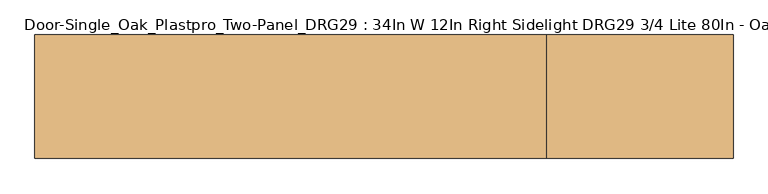
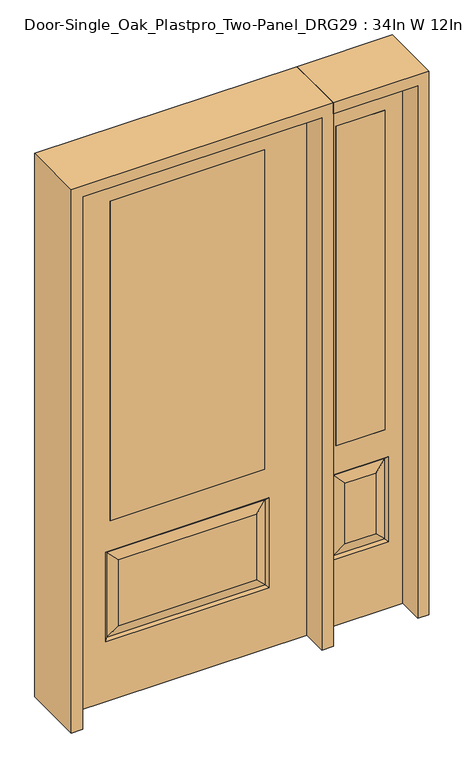
"""IFC4 building model written with IfcOpenShell, lengths in millimetres: door geometry, Door-Single_Oak_Plastpro_Two-Panel_DRG29 : 34In W 12In Right Sidelight DRG29 3/4 Lite 80In - Oak."""

import ifcopenshell
import ifcopenshell.guid

model = None  # the IFC model being written
_history = None  # IfcOwnerHistory: only IFC2X3 demands one
_inside = {}  # id of a spatial element -> (the spatial element, [elements in it])
_under = {}  # id of a project, library or spatial element -> (it, [spatial elements below it])
_declared = {}  # id of a project -> (the project, [libraries it declares])
_typed = {}  # id of a type object -> (the type object, [elements of that type])
_made_of = {}  # id of a material, layer set ... -> (it, [elements and type objects made of it])


def new_model(schema):
    """Start an empty IFC model of exactly this schema.

    Asked for "IFC4X3", IfcOpenShell would pick the latest addendum, in which some entities
    have other attributes; the version numbers below select the first issue.
    IFC2X3 requires an IfcOwnerHistory on every rooted entity: one is made here for all.
    """
    global model, _history
    if schema == "IFC4X3":
        model = ifcopenshell.file(schema_version=(4, 3, 0, 0))
    else:
        model = ifcopenshell.file(schema=schema)
    _inside.clear()
    _under.clear()
    _declared.clear()
    _typed.clear()
    _made_of.clear()
    _history = None
    if model.schema == "IFC2X3":
        org = make("IfcOrganization", Name="unknown")
        user = make(
            "IfcPersonAndOrganization",
            ThePerson=make("IfcPerson", FamilyName="unknown"),
            TheOrganization=org,
        )
        app = make(
            "IfcApplication",
            ApplicationDeveloper=org,
            Version="unknown",
            ApplicationFullName="unknown",
            ApplicationIdentifier="unknown",
        )
        _history = make(
            "IfcOwnerHistory",
            OwningUser=user,
            OwningApplication=app,
            ChangeAction="ADDED",
            CreationDate=0,
        )
    return model


def make(cls, **values):
    """One entity of the class cls with the attributes given. An attribute that is None is left unset."""
    return model.create_entity(
        cls, **{name: value for name, value in values.items() if value is not None}
    )


def rooted(cls, **values):
    """An entity with a GlobalId (a new one), such as an element, a storey or a relation."""
    return make(cls, GlobalId=ifcopenshell.guid.new(), OwnerHistory=_history, **values)


def si_unit(unit_type, name, prefix=None):
    """IfcSIUnit, for example si_unit("LENGTHUNIT", "METRE", prefix="MILLI")."""
    return make("IfcSIUnit", UnitType=unit_type, Prefix=prefix, Name=name)


def assignment(units):
    """IfcUnitAssignment: the units of a project."""
    return None if units is None else make("IfcUnitAssignment", Units=units)


def point(xyz):
    """IfcCartesianPoint."""
    return None if xyz is None else make("IfcCartesianPoint", Coordinates=xyz)


def direction(xyz):
    """IfcDirection."""
    return None if xyz is None else make("IfcDirection", DirectionRatios=xyz)


def frame(location, z_axis=None, x_axis=None):
    """IfcAxis2Placement3D, a coordinate frame: its origin and axes. An axis left out is left unset."""
    return make(
        "IfcAxis2Placement3D",
        Location=point(location),
        Axis=direction(z_axis),
        RefDirection=direction(x_axis),
    )


def origin():
    """The frame at (0, 0, 0) with its axes left unset."""
    return frame((0.0, 0.0, 0.0))


def place(relative_to, where):
    """IfcLocalPlacement: puts the frame where relative to a parent placement (None: the world)."""
    return make(
        "IfcLocalPlacement", PlacementRelTo=relative_to, RelativePlacement=where
    )


def context(
    kind, dimensions, precision=None, world=None, true_north=None, identifier=None
):
    """IfcGeometricRepresentationContext, for example the 3D "Model" context."""
    return make(
        "IfcGeometricRepresentationContext",
        ContextIdentifier=identifier,
        ContextType=kind,
        CoordinateSpaceDimension=dimensions,
        Precision=precision,
        WorldCoordinateSystem=world,
        TrueNorth=true_north,
    )


def project(units=None, contexts=None):
    """IfcProject with its units and contexts."""
    return rooted(
        "IfcProject",
        Name="project",
        RepresentationContexts=contexts,
        UnitsInContext=assignment(units),
    )


def spatial(cls, under=None, at=None, **own):
    """A site, building, storey or space (cls), placed at a placement, below another one or the project."""
    s = rooted(cls, ObjectPlacement=at, **own)
    if under is not None:
        _under.setdefault(under.id(), (under, []))[1].append(s)
    return s


def polyline(points):
    """IfcPolyline through the points."""
    return make("IfcPolyline", Points=[point(p) for p in points])


def outline(outer, holes=None, kind="AREA"):
    """IfcArbitraryClosedProfileDef: a profile drawn as a closed curve; with holes, ...WithVoids."""
    if holes is None:
        return make("IfcArbitraryClosedProfileDef", ProfileType=kind, OuterCurve=outer)
    return make(
        "IfcArbitraryProfileDefWithVoids",
        ProfileType=kind,
        OuterCurve=outer,
        InnerCurves=holes,
    )


def extrude(swept, where, along, depth):
    """IfcExtrudedAreaSolid: the profile swept, set in the frame where, extruded along a direction by depth."""
    return make(
        "IfcExtrudedAreaSolid",
        SweptArea=swept,
        Position=where,
        ExtrudedDirection=direction(along),
        Depth=depth,
    )


def faces_of(points, faces, orient=None, outer=None):
    """IfcFace entities. A face is a list of loops; a loop is a list of indices into points, from 0.

    orient and outer hold one flag for each loop. By default every Orientation is true, the
    first loop of a face is its IfcFaceOuterBound and the others are IfcFaceBound.
    """
    made = []
    for i, loops in enumerate(faces):
        bounds = []
        for j, loop in enumerate(loops):
            is_outer = j == 0 if outer is None else outer[i][j]
            bounds.append(
                make(
                    "IfcFaceOuterBound" if is_outer else "IfcFaceBound",
                    Bound=make("IfcPolyLoop", Polygon=[points[k] for k in loop]),
                    Orientation=True if orient is None else orient[i][j],
                )
            )
        made.append(make("IfcFace", Bounds=bounds))
    return made


def faceted_brep(points, faces, orient=None, outer=None, voids=None):
    """IfcFacetedBrep: a solid bounded by flat faces; with voids (closed shells), ...WithVoids."""
    shared = [point(p) for p in points]
    hull = make("IfcClosedShell", CfsFaces=faces_of(shared, faces, orient, outer))
    if voids is None:
        return make("IfcFacetedBrep", Outer=hull)
    return make(
        "IfcFacetedBrepWithVoids",
        Outer=hull,
        Voids=[
            make(cls, CfsFaces=faces_of(shared, fs, o, b)) for cls, fs, o, b in voids
        ],
    )


def shape(context_of_items, identifier, shape_type, items):
    """IfcShapeRepresentation: the items that make up one representation, for example the "Body"."""
    return make(
        "IfcShapeRepresentation",
        ContextOfItems=context_of_items,
        RepresentationIdentifier=identifier,
        RepresentationType=shape_type,
        Items=items,
    )


def source(mapping_origin, context_of_items, identifier, shape_type, items):
    """IfcRepresentationMap: a shape defined once, which mapped items show again and again."""
    return make(
        "IfcRepresentationMap",
        MappingOrigin=mapping_origin,
        MappedRepresentation=shape(context_of_items, identifier, shape_type, items),
    )


def transform(
    local_origin,
    x_axis=None,
    y_axis=None,
    z_axis=None,
    scale=None,
    scale2=None,
    scale3=None,
    uniform=True,
):
    """IfcCartesianTransformationOperator3D, or its non-uniform kind. x_axis, y_axis, z_axis: its Axis1, 2, 3."""
    if uniform:
        return make(
            "IfcCartesianTransformationOperator3D",
            Axis1=direction(x_axis),
            Axis2=direction(y_axis),
            LocalOrigin=point(local_origin),
            Scale=scale,
            Axis3=direction(z_axis),
        )
    return make(
        "IfcCartesianTransformationOperator3DnonUniform",
        Axis1=direction(x_axis),
        Axis2=direction(y_axis),
        LocalOrigin=point(local_origin),
        Scale=scale,
        Axis3=direction(z_axis),
        Scale2=scale2,
        Scale3=scale3,
    )


def mapped(mapping_source, mapping_target):
    """IfcMappedItem: shows the shape of a source again, moved by a transform."""
    return make(
        "IfcMappedItem", MappingSource=mapping_source, MappingTarget=mapping_target
    )


def made_of(thing, what):
    """Note that an element or type object is made of a material, layer set ...; save() writes the relation."""
    if what is not None:
        _made_of.setdefault(what.id(), (what, []))[1].append(thing)
    return thing


def element(
    cls,
    number,
    at=None,
    inside=None,
    cuts=None,
    type_object=None,
    material=None,
    context=None,
    identifier="Body",
    shape_type=None,
    held_by="IfcProductDefinitionShape",
    body=None,
    shapes=None,
    **own,
):
    """One element of the class cls, such as IfcWall. Its Tag is "e" and its number.

    at: its placement. inside: the storey or other place that contains it. cuts: it is an
    opening in that element (IfcRelVoidsElement). A single representation is given by context,
    identifier, shape_type and body (its items); several are given by shapes. held_by: the class
    of the entity that holds the representations. save() writes the other relations.
    """
    e = rooted(cls, Tag="e%d" % number, ObjectPlacement=at, **own)
    if body is not None:
        shapes = [shape(context, identifier, shape_type, body)]
    if shapes is not None:
        e.Representation = make(held_by, Representations=shapes)
    if inside is not None:
        _inside.setdefault(inside.id(), (inside, []))[1].append(e)
    if cuts is not None:
        rooted(
            "IfcRelVoidsElement", RelatingBuildingElement=cuts, RelatedOpeningElement=e
        )
    if type_object is not None:
        _typed.setdefault(type_object.id(), (type_object, []))[1].append(e)
    return made_of(e, material)


def aggregate(whole, parts):
    """IfcRelAggregates: a whole, such as a stair, and the parts it consists of."""
    return rooted("IfcRelAggregates", RelatingObject=whole, RelatedObjects=parts)


def save(model, path):
    """Write the relations noted so far, then the file.

    IfcRelAggregates (storeys below a building ...), IfcRelContainedInSpatialStructure (elements
    in a storey), IfcRelDefinesByType, IfcRelAssociatesMaterial and IfcRelDeclares: one each for
    every whole, place, type object, material and project.
    """
    for whole, parts in _under.values():
        aggregate(whole, parts)
    for where, things in _inside.values():
        rooted(
            "IfcRelContainedInSpatialStructure",
            RelatedElements=things,
            RelatingStructure=where,
        )
    for kind, things in _typed.values():
        rooted("IfcRelDefinesByType", RelatedObjects=things, RelatingType=kind)
    for what, things in _made_of.values():
        rooted("IfcRelAssociatesMaterial", RelatedObjects=things, RelatingMaterial=what)
    for by, libraries in _declared.values():
        rooted("IfcRelDeclares", RelatingContext=by, RelatedDefinitions=libraries)
    model.write(path)


def door_single_oak_plastpro_two_panel_drg29_34in_w_12in_right_079a7310(model_context):
    return source(origin(), model_context, "Body", "SolidModel", [
        extrude(outline(polyline([(-279.4, -20.6375), (-279.4, 20.6375), (279.4, 20.6375), (279.4, -20.6375), (-279.4, -20.6375)])), frame((0.0, 0.0, 685.8), z_axis=(0.0, 0.0, 1.0), x_axis=(1.0, 0.0, 0.0)), (0.0, 0.0, 1.0), 1219.2),
        faceted_brep([(-249.1224548, -20.6375, 274.7525452), (249.1224548, -20.6375, 274.7525452), (249.1224548, -20.6375, 525.3474548), (-249.1224548, -20.6375, 525.3474548), (431.8, -20.6375, 2032.0), (-431.8, -20.6375, 2032.0), (-431.8, -20.6375, 0.0), (431.8, -20.6375, 0.0), (295.1599548, -20.6375, 228.7150452), (-295.1599548, -20.6375, 228.7150452), (-295.1599548, -20.6375, 571.3849548), (295.1599548, -20.6375, 571.3849548), (-279.4, -20.6375, 1905.0), (279.4, -20.6375, 1905.0), (279.4, -20.6375, 685.8), (-279.4, -20.6375, 685.8), (-279.4, 20.6375, 1905.0), (-279.4, 20.6375, 685.8), (279.4, 20.6375, 685.8), (249.1224548, 20.6375, 274.7525452), (-249.1224548, 20.6375, 274.7525452), (-249.1224548, 20.6375, 525.3474548), (249.1224548, 20.6375, 525.3474548), (-431.8, 20.6375, 2032.0), (431.8, 20.6375, 2032.0), (431.8, 20.6375, 0.0), (-431.8, 20.6375, 0.0), (-295.1599548, 20.6375, 228.7150452), (295.1599548, 20.6375, 228.7150452), (295.1599548, 20.6375, 571.3849548), (-295.1599548, 20.6375, 571.3849548), (279.4, 20.6375, 1905.0), (286.1796986, -11.6572439, 237.6953014), (-286.1796986, -11.6572439, 237.6953014), (-286.1796986, -11.6572439, 562.4046986), (286.1796986, -11.6572439, 562.4046986), (286.1796986, 11.6572439, 237.6953014), (-286.1796986, 11.6572439, 237.6953014), (-286.1796986, 11.6572439, 562.4046986), (286.1796986, 11.6572439, 562.4046986)], [[[0, 1, 2, 3]], [[4, 5, 6, 7], [8, 9, 10, 11], [12, 13, 14, 15]], [[16, 12, 15, 17]], [[17, 15, 14, 18]], [[19, 20, 21, 22]], [[23, 24, 25, 26], [27, 28, 29, 30], [31, 16, 17, 18]], [[13, 31, 18, 14]], [[6, 26, 25, 7]], [[5, 23, 26, 6]], [[24, 4, 7, 25]], [[32, 33, 9, 8]], [[9, 33, 34, 10]], [[10, 34, 35, 11]], [[32, 8, 11, 35]], [[33, 32, 1, 0]], [[1, 32, 35, 2]], [[34, 3, 2, 35]], [[33, 0, 3, 34]], [[36, 37, 20, 19]], [[20, 37, 38, 21]], [[21, 38, 39, 22]], [[36, 19, 22, 39]], [[37, 36, 28, 27]], [[28, 36, 39, 29]], [[38, 30, 29, 39]], [[37, 27, 30, 38]], [[12, 16, 31, 13]], [[5, 4, 24, 23]]]),
        extrude(outline(polyline([(714.375, -20.6375), (536.575, -20.6375), (536.575, 20.6375), (714.375, 20.6375), (714.375, -20.6375)])), frame((0.0, 0.0, 685.8), z_axis=(0.0, 0.0, 1.0), x_axis=(1.0, 0.0, 0.0)), (0.0, 0.0, 1.0), 1219.2),
        faceted_brep([(714.375, -20.6375, 1905.0), (536.575, -20.6375, 1905.0), (536.575, 20.6375, 1905.0), (714.375, 20.6375, 1905.0), (680.9224548, -20.6375, 531.6974548), (570.0275452, -20.6375, 531.6974548), (570.0275452, -20.6375, 300.1525452), (680.9224548, -20.6375, 300.1525452), (473.075, -20.6375, 2032.0), (473.075, -20.6375, 0.0), (777.875, -20.6375, 0.0), (777.875, -20.6375, 2032.0), (714.375, -20.6375, 685.8), (536.575, -20.6375, 685.8), (726.9599548, -20.6375, 254.1150452), (523.9900452, -20.6375, 254.1150452), (523.9900452, -20.6375, 577.7349548), (726.9599548, -20.6375, 577.7349548), (717.9796986, 11.6572439, 568.7546986), (726.9599548, 20.6375, 577.7349548), (726.9599548, 20.6375, 254.1150452), (717.9796986, 11.6572439, 263.0953014), (532.9703014, 11.6572439, 568.7546986), (523.9900452, 20.6375, 577.7349548), (680.9224548, 20.6375, 300.1525452), (680.9224548, 20.6375, 531.6974548), (714.375, 20.6375, 685.8), (536.575, 20.6375, 685.8), (532.9703014, -11.6572439, 263.0953014), (717.9796986, -11.6572439, 263.0953014), (532.9703014, -11.6572439, 568.7546986), (717.9796986, -11.6572439, 568.7546986), (473.075, 20.6375, 2032.0), (777.875, 20.6375, 2032.0), (473.075, 20.6375, 0.0), (777.875, 20.6375, 0.0), (523.9900452, 20.6375, 254.1150452), (570.0275452, 20.6375, 300.1525452), (570.0275452, 20.6375, 531.6974548), (532.9703014, 11.6572439, 263.0953014)], [[[0, 1, 2, 3]], [[4, 5, 6, 7]], [[8, 9, 10, 11], [0, 12, 13, 1], [14, 15, 16, 17]], [[18, 19, 20, 21]], [[18, 22, 23, 19]], [[21, 24, 25, 18]], [[26, 27, 13, 12]], [[7, 6, 28, 29]], [[6, 5, 30, 28]], [[29, 14, 17, 31]], [[32, 8, 11, 33]], [[34, 35, 10, 9]], [[32, 34, 9, 8]], [[11, 10, 35, 33]], [[33, 35, 34, 32], [19, 23, 36, 20], [2, 27, 26, 3]], [[24, 37, 38, 25]], [[20, 36, 39, 21]], [[36, 23, 22, 39]], [[25, 38, 22, 18]], [[39, 22, 38, 37]], [[21, 39, 37, 24]], [[3, 26, 12, 0]], [[1, 13, 27, 2]], [[31, 4, 7, 29]], [[31, 30, 5, 4]], [[17, 16, 30, 31]], [[28, 30, 16, 15]], [[29, 28, 15, 14]]]),
        extrude(outline(polyline([(2073.275, -473.075), (0.0, -473.075), (0.0, -431.8), (2032.0, -431.8), (2032.0, 431.8), (0.0, 431.8), (0.0, 473.075), (2073.275, 473.075), (2073.275, -473.075)])), frame((0.0, -114.3, 0.0), z_axis=(0.0, 1.0, 0.0), x_axis=(0.0, 0.0, 1.0)), (0.0, 0.0, 1.0), 228.6),
        extrude(outline(polyline([(0.0, 777.875), (0.0, 819.15), (2073.275, 819.15), (2073.275, 473.075), (2032.0, 473.075), (2032.0, 777.875), (0.0, 777.875)])), frame((0.0, -114.3, 0.0), z_axis=(0.0, 1.0, 0.0), x_axis=(0.0, 0.0, 1.0)), (0.0, 0.0, 1.0), 228.6),
    ])


if __name__ == "__main__":
    model = new_model("IFC4")
    model_context = context("Model", 3, world=origin())
    ifc_project = project(units=[si_unit("LENGTHUNIT", "METRE", prefix="MILLI")], contexts=[model_context])
    site = spatial("IfcSite", under=ifc_project)
    building = spatial("IfcBuilding", under=site)
    placement = place(None, origin())
    door_single_oak_plastpro_two_panel_drg29_34in_w_12in_right_shape = door_single_oak_plastpro_two_panel_drg29_34in_w_12in_right_079a7310(model_context)
    element("IfcDoor", 1, ObjectType="Door-Single_Oak_Plastpro_Two-Panel_DRG29 : 34In W 12In Right Sidelight DRG29 3/4 Lite 80In - Oak", at=placement, inside=building, context=model_context, shape_type="MappedRepresentation", body=[
        mapped(door_single_oak_plastpro_two_panel_drg29_34in_w_12in_right_shape, transform((0.0, 0.0, 0.0), x_axis=(1.0, 0.0, 0.0), y_axis=(0.0, 1.0, 0.0), z_axis=(0.0, 0.0, 1.0))),
    ])
    save(model, "model.ifc")
